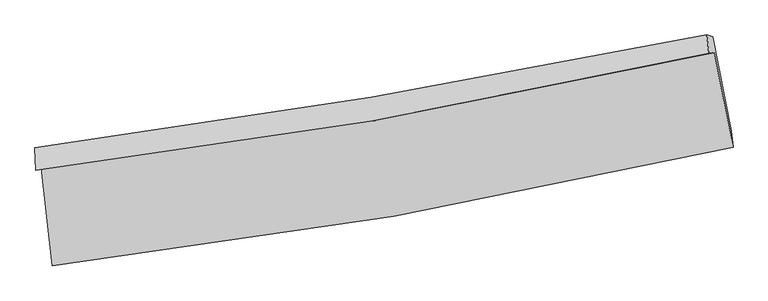
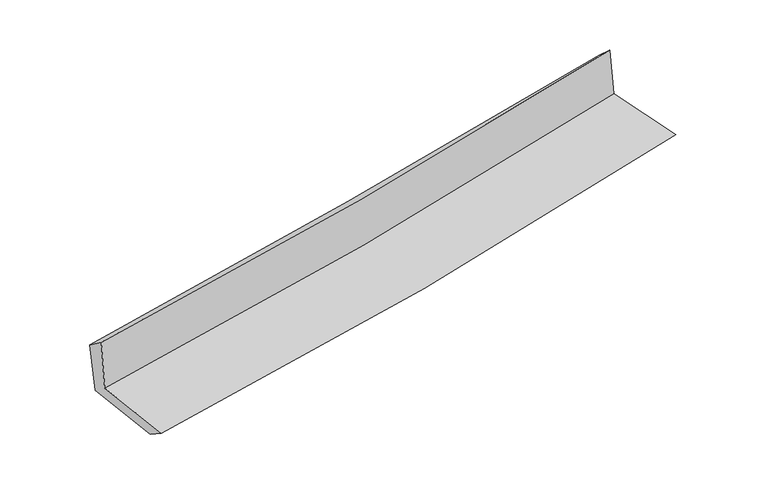
"""IFC4 building model written with IfcOpenShell, lengths in millimetres: proxy geometry."""

from ifc_helpers import new_model, si_unit, frame, origin, place, context, project, spatial, source, transform, mapped, element, save
from ifc_brep_helpers import plane_surface, spline_curve, spline_surface, advanced_brep


def generic_models_2955d498(model_context):
    return source(origin(), model_context, "Body", "AdvancedBrep", [
        advanced_brep(
        [(-2312.638547, -1866.0197319, 1660.0711471), (-2239.2510205, -2532.9830113, 1653.5352361), (2389.5106564, -1728.7292911, 2104.8012562), (2261.326036, -1084.2221745, 2105.8033101), (-2350.316246, -1884.4587174, 2077.9808119), (2224.416099, -1087.2379889, 2493.4368033), (-2356.3147638, -1729.4627773, 1963.0850776), (2210.5750854, -963.6892466, 2382.7277873), (-2317.3941993, -1740.9026742, 1566.4130955), (2250.1226557, -974.4701763, 1996.1721186), (-2245.9041757, -2390.6209965, 1560.0461766), (2377.6077503, -1615.4601054, 1995.1755331)],
        [
            (0, 1),
            (1, 2, spline_curve(3, [(-2239.2510205, -2532.9830113, 1653.5352361), (-1461.142164093, -2443.121455051, 1725.904538469), (-686.964636863, -2331.311049431, 1799.632735536), (855.981004484, -2063.366513678, 1950.046072409), (1624.724036453, -1907.092345988, 2026.739881965), (2389.5106564, -1728.7292911, 2104.8012562)], [4, 2, 4], [0.0, 7.685533331603284, 15.395545205415512])),
            (2, 3),
            (3, 0, spline_curve(3, [(2261.326036, -1084.2221745, 2105.8033101), (1504.204234407, -1250.495562746, 2028.695045734), (743.868475521, -1398.85720591, 1952.939655783), (-780.806761199, -1659.342836077, 1804.370844811), (-1545.125862977, -1771.580378667, 1731.548847417), (-2312.638547, -1866.0197319, 1660.0711471)], [4, 2, 4], [0.0, 7.7100118738122285, 15.395545205415512])),
            (4, 0),
            (3, 5),
            (5, 4, spline_curve(3, [(2224.416099, -1087.2379889, 2493.4368033), (1467.314074142, -1261.132949835, 2430.22957921), (706.924004057, -1414.58867457, 2363.944701816), (-818.007622881, -1680.199338338, 2225.439859712), (-1582.528334289, -1792.483856205, 2153.239406824), (-2350.316246, -1884.4587174, 2077.9808119)], [4, 2, 4], [0.0, 7.6624754458585045, 15.300623273070464])),
            (6, 4),
            (5, 7),
            (7, 6, spline_curve(3, [(2210.5750854, -963.6892466, 2382.7277873), (1452.077270708, -1119.33242745, 2321.621036921), (691.64603647, -1261.047832378, 2256.034722958), (-830.662837208, -1516.217377655, 2116.125420628), (-1592.528219255, -1629.759816172, 2041.83083123), (-2356.3147638, -1729.4627773, 1963.0850776)], [4, 2, 4], [0.0, 7.652136678101124, 15.279978562143665])),
            (8, 6),
            (7, 9),
            (9, 8, spline_curve(3, [(2250.1226557, -974.4701763, 1996.1721186), (1492.886489655, -1136.969011669, 1930.020121638), (733.032659793, -1282.161882614, 1861.069486366), (-789.489553726, -1537.529666823, 1717.79873624), (-1552.141342412, -1647.814295276, 1643.496363613), (-2317.3941993, -1740.9026742, 1566.4130955)], [4, 2, 4], [0.0, 7.642746330323665, 15.261227680034976])),
            (10, 8),
            (9, 11),
            (11, 10, spline_curve(3, [(2377.6077503, -1615.4601054, 1995.1755331), (1610.581222866, -1776.567380631, 1928.142949627), (841.15888938, -1921.79525857, 1858.303768977), (-700.026941215, -2180.08155131, 1713.242857343), (-1471.775249792, -2293.240637027, 1638.038918797), (-2245.9041757, -2390.6209965, 1560.0461766)], [4, 2, 4], [0.0, 7.691053319813914, 15.357688288994703])),
            (1, 10),
            (11, 2),
        ],
        [
            spline_surface(3, 3, [[(-2312.638547, -1866.0197319, 1660.0711471), (-1545.1258631, -1771.580378748, 1731.548847319), (-780.806761147, -1659.342836106, 1804.370844899), (743.868475468, -1398.857205881, 1952.939655695), (1504.20423451, -1250.495562707, 2028.695045817), (2261.326036, -1084.2221745, 2105.8033101)], [(-2288.176038163, -2088.340825029, 1657.892510108), (-1517.131296748, -1995.427404221, 1729.667411084), (-749.526053086, -1883.332240568, 1802.791475139), (781.239318499, -1620.360308459, 1951.975127903), (1544.377501816, -1469.361157097, 2028.043324563), (2304.05424279, -1299.057880037, 2105.469292144)], [(-2263.713529337, -2310.661918171, 1655.713873092), (-1489.136730407, -2219.274429705, 1727.785974826), (-718.245345013, -2107.321645031, 1801.212105382), (818.610161543, -1841.863411037, 1951.010600114), (1584.550769152, -1688.226751476, 2027.391603276), (2346.78244961, -1513.893585563, 2105.135274156)], [(-2239.2510205, -2532.9830113, 1653.5352361), (-1461.142164055, -2443.121455178, 1725.904538591), (-686.964636953, -2331.311049494, 1799.632735623), (855.981004573, -2063.366513615, 1950.046072322), (1624.724036459, -1907.092345867, 2026.739882021), (2389.5106564, -1728.7292911, 2104.8012562)]], [4, 4], [4, 2, 4], [0.0, 2.218274819020191], [0.0, 7.685533331603284, 15.395545205415512]),
            spline_surface(3, 3, [[(-2350.316246, -1884.4587174, 2077.9808119), (-1582.528334386, -1792.483856212, 2153.239406713), (-818.007622907, -1680.199338295, 2225.439859799), (706.924004083, -1414.588674614, 2363.944701729), (1467.314074241, -1261.132949728, 2430.229579142), (2224.416099, -1087.2379889, 2493.4368033)], [(-2337.757012992, -1878.312388895, 1938.677590305), (-1570.060843949, -1785.516030386, 2012.67588692), (-805.607335649, -1673.247170873, 2085.083521523), (719.238827883, -1409.344851677, 2226.943019742), (1479.610794327, -1257.587154073, 2296.384734703), (2236.719411329, -1086.232717452, 2364.225638903)], [(-2325.197780008, -1872.166060405, 1799.374368695), (-1557.593353537, -1778.548204575, 1872.112367112), (-793.207048405, -1666.295003528, 1944.727183174), (731.553651669, -1404.101028818, 2089.941337682), (1491.907514424, -1254.041358362, 2162.539890256), (2249.022723671, -1085.227445948, 2235.014474497)], [(-2312.638547, -1866.0197319, 1660.0711471), (-1545.1258631, -1771.580378748, 1731.548847319), (-780.806761147, -1659.342836106, 1804.370844899), (743.868475468, -1398.857205881, 1952.939655695), (1504.20423451, -1250.495562707, 2028.695045817), (2261.326036, -1084.2221745, 2105.8033101)]], [4, 4], [4, 2, 4], [0.0, 1.3716194294457091], [0.0, 7.638147827211959, 15.300623273070464]),
            spline_surface(3, 3, [[(-2356.3147638, -1729.4627773, 1963.0850776), (-1592.528219368, -1629.759816207, 2041.83083127), (-830.662837253, -1516.217377667, 2116.125420571), (691.646036515, -1261.047832366, 2256.034723015), (1452.077270768, -1119.332427388, 2321.621036942), (2210.5750854, -963.6892466, 2382.7277873)], [(-2354.315257868, -1781.128090663, 2001.38365571), (-1589.194924375, -1684.001162872, 2078.967023094), (-826.44443247, -1570.878031211, 2152.563566964), (696.738692372, -1312.228113117, 2292.004715904), (1457.156205257, -1166.599268174, 2357.823884334), (2215.188756598, -1004.872160705, 2419.630792625)], [(-2352.315751932, -1832.793404037, 2039.68223379), (-1585.861629379, -1738.242509547, 2116.103214889), (-822.22602769, -1625.538684751, 2189.001713405), (701.831348227, -1363.408393863, 2327.974708841), (1462.235139752, -1213.866108943, 2394.026731751), (2219.802427802, -1046.055074795, 2456.533797975)], [(-2350.316246, -1884.4587174, 2077.9808119), (-1582.528334386, -1792.483856212, 2153.239406713), (-818.007622907, -1680.199338295, 2225.439859799), (706.924004083, -1414.588674614, 2363.944701729), (1467.314074241, -1261.132949728, 2430.229579142), (2224.416099, -1087.2379889, 2493.4368033)]], [4, 4], [4, 2, 4], [0.0, 0.6327106928439816], [0.0, 7.627841884042541, 15.279978562143665]),
            spline_surface(3, 3, [[(-2317.3941993, -1740.9026742, 1566.4130955), (-1552.141342351, -1647.8142952, 1643.496363681), (-789.489553774, -1537.529666835, 1717.798736165), (733.032659841, -1282.161882603, 1861.069486442), (1492.886489577, -1136.9690117, 1930.020121708), (2250.1226557, -974.4701763, 1996.1721186)], [(-2330.367720796, -1737.089375232, 1698.637089516), (-1565.603634687, -1641.796135534, 1776.274519526), (-803.213981582, -1530.425570464, 1850.574297657), (719.237118751, -1275.123865876, 1992.724565323), (1479.28341665, -1131.090150252, 2060.55376013), (2236.940132276, -970.876533056, 2125.024008177)], [(-2343.341242304, -1733.276076268, 1830.861083584), (-1579.065927033, -1635.777975873, 1909.052675424), (-816.938409445, -1523.321474037, 1983.349859078), (705.441577606, -1268.085849093, 2124.379644133), (1465.680343695, -1125.211288836, 2191.087398521), (2223.757608824, -967.282889844, 2253.875897723)], [(-2356.3147638, -1729.4627773, 1963.0850776), (-1592.528219368, -1629.759816207, 2041.83083127), (-830.662837253, -1516.217377667, 2116.125420571), (691.646036515, -1261.047832366, 2256.034723015), (1452.077270768, -1119.332427388, 2321.621036942), (2210.5750854, -963.6892466, 2382.7277873)]], [4, 4], [4, 2, 4], [0.0, 1.3101926985494823], [0.0, 7.618481349711311, 15.261227680034976]),
            spline_surface(3, 3, [[(-2245.9041757, -2390.6209965, 1560.0461766), (-1471.775249874, -2293.240636927, 1638.038918918), (-700.026941293, -2180.081551284, 1713.242857223), (841.158889457, -1921.795258596, 1858.303769097), (1610.581222886, -1776.567380589, 1928.14294966), (2377.6077503, -1615.4601054, 1995.1755331)], [(-2269.734183577, -2174.048222395, 1562.168482903), (-1498.563947376, -2078.098523013, 1639.858067175), (-729.847812144, -1965.897589807, 1714.761483517), (805.116812894, -1708.584133271, 1859.225674858), (1571.349645121, -1563.367924297, 1928.768673671), (2335.112718772, -1401.796795704, 1995.507728262)], [(-2293.564191423, -1957.475448305, 1564.290789197), (-1525.352644849, -1862.956409114, 1641.677215424), (-759.668682922, -1751.713628312, 1716.280109871), (769.074736405, -1495.373007928, 1860.14758068), (1532.118067342, -1350.168467992, 1929.394397697), (2292.617687228, -1188.133485996, 1995.839923438)], [(-2317.3941993, -1740.9026742, 1566.4130955), (-1552.141342351, -1647.8142952, 1643.496363681), (-789.489553774, -1537.529666835, 1717.798736165), (733.032659841, -1282.161882603, 1861.069486442), (1492.886489577, -1136.9690117, 1930.020121708), (2250.1226557, -974.4701763, 1996.1721186)]], [4, 4], [4, 2, 4], [0.0, 2.128184029423194], [0.0, 7.666634969180789, 15.357688288994703]),
            spline_surface(3, 3, [[(-2239.2510205, -2532.9830113, 1653.5352361), (-1461.142164055, -2443.121455178, 1725.904538591), (-686.964636953, -2331.311049494, 1799.632735623), (855.981004573, -2063.366513615, 1950.046072322), (1624.724036459, -1907.092345867, 2026.739882021), (2389.5106564, -1728.7292911, 2104.8012562)], [(-2241.468738905, -2485.529006386, 1622.372216259), (-1464.686526, -2393.161182447, 1696.615998692), (-691.318738393, -2280.901216756, 1770.836109478), (851.04029954, -2016.176095275, 1919.465304569), (1620.009765269, -1863.584024086, 1993.874237891), (2385.543021034, -1690.972895845, 2068.25934849)], [(-2243.686457295, -2438.075001414, 1591.209196441), (-1468.23088793, -2343.200909658, 1667.327458817), (-695.672839852, -2230.491384021, 1742.039483367), (846.09959449, -1968.985676937, 1888.88453685), (1615.295494076, -1820.07570237, 1961.008593791), (2381.575385666, -1653.216500655, 2031.71744081)], [(-2245.9041757, -2390.6209965, 1560.0461766), (-1471.775249874, -2293.240636927, 1638.038918918), (-700.026941293, -2180.081551284, 1713.242857223), (841.158889457, -1921.795258596, 1858.303769097), (1610.581222886, -1776.567380589, 1928.14294966), (2377.6077503, -1615.4601054, 1995.1755331)]], [4, 4], [4, 2, 4], [0.0, 0.5640498866752168], [0.0, 7.723269443162247, 15.471137618630824]),
            plane_surface(frame((2285.5930471, -1242.3014971, 2179.6861347), z_axis=(0.9764302880557925, 0.19405319878210087, 0.09448411829358765), x_axis=(-0.10173716608949161, 0.027734225672991306, 0.9944246385535702))),
            plane_surface(frame((-2303.6364921, -2024.0746515, 1746.8552575), z_axis=(-0.9896999892583305, -0.10797791414373964, -0.09399309186971086), x_axis=(-0.10936704681611738, 0.9939537094288637, 0.009740255814058704))),
        ],
        [
            (0, [[1, 2, 3, 4]]),
            (1, [[5, -4, 6, 7]]),
            (2, [[8, -7, 9, 10]]),
            (3, [[11, -10, 12, 13]]),
            (4, [[14, -13, 15, 16]]),
            (5, [[17, -16, 18, -2]]),
            (6, [[-12, -9, -6, -3, -18, -15]]),
            (7, [[-1, -5, -8, -11, -14, -17]]),
        ],
    ),
    ])


if __name__ == "__main__":
    model = new_model("IFC4")
    model_context = context("Model", 3, world=origin())
    ifc_project = project(units=[si_unit("LENGTHUNIT", "METRE", prefix="MILLI")], contexts=[model_context])
    site = spatial("IfcSite", under=ifc_project)
    building = spatial("IfcBuilding", under=site)
    placement = place(None, origin())
    generic_models_shape = generic_models_2955d498(model_context)
    element("IfcBuildingElementProxy", 1, Name="Generic Models", at=placement, inside=building, context=model_context, shape_type="MappedRepresentation", body=[
        mapped(generic_models_shape, transform((0.0, 0.0, 0.0), x_axis=(1.0, 0.0, 0.0), y_axis=(0.0, 1.0, 0.0), z_axis=(0.0, 0.0, 1.0))),
    ])
    save(model, "model.ifc")
